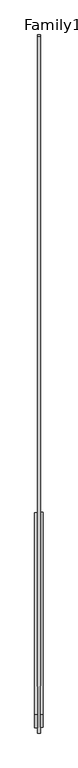
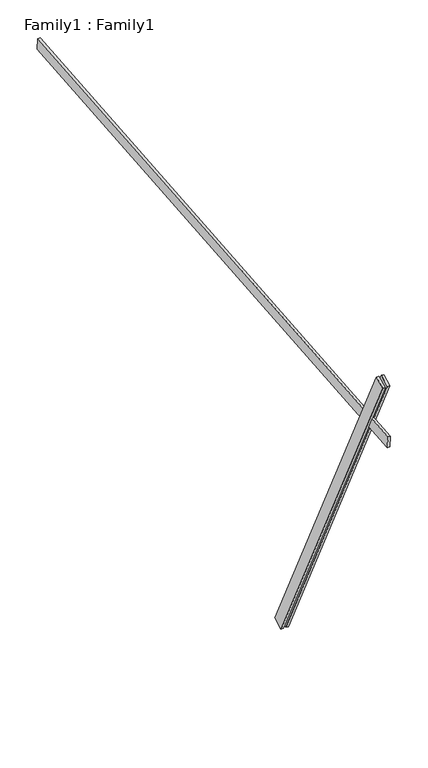
"""IFC4 building model written with IfcOpenShell, lengths in millimetres: proxy geometry, Family1 : Family1."""

from ifc_helpers import new_model, si_unit, frame, origin, place, context, project, spatial, polyline, outline, extrude, source, transform, mapped, element, save


def family1_family1_43348b4e(model_context):
    return source(origin(), model_context, "Body", "SweptSolid", [
        extrude(outline(polyline([(0.0, 0.0), (-100.0000001, 0.0), (-100.0000001, 20.0), (0.0, 20.0), (0.0, 0.0)])), frame((-30.0, -46.3241747, -22.5938096), z_axis=(0.0, -0.4383711467890692, 0.8987940462991711), x_axis=(0.0, -0.8987940462991711, -0.4383711467890692)), (0.0, 0.0, 1.0), 3300.0),
        extrude(outline(polyline([(0.0, 0.0), (-99.9999999, 0.0), (-99.9999999, 20.0), (0.0, 20.0), (0.0, 0.0)])), frame((10.0, -45.270232, -22.0797674), z_axis=(0.0, -0.4383711467890692, 0.8987940462991711), x_axis=(0.0, -0.8987940462991711, -0.4383711467890692)), (0.0, 0.0, 1.0), 3300.0),
        extrude(outline(polyline([(0.0, 20.0), (4999.9999999, 20.0), (4999.9999999, 0.0), (0.0, 0.0), (0.0, 20.0)])), frame((-10.0, 3457.3027233, 2876.2941486), z_axis=(0.0, -0.08715574274766064, 0.9961946980917454), x_axis=(0.0, -0.9961946980917454, -0.08715574274766064)), (0.0, 0.0, 1.0), 100.0),
    ])


if __name__ == "__main__":
    model = new_model("IFC4")
    model_context = context("Model", 3, world=origin())
    ifc_project = project(units=[si_unit("LENGTHUNIT", "METRE", prefix="MILLI")], contexts=[model_context])
    site = spatial("IfcSite", under=ifc_project)
    building = spatial("IfcBuilding", under=site)
    placement = place(None, origin())
    family1_family1_shape = family1_family1_43348b4e(model_context)
    element("IfcBuildingElementProxy", 1, Name="Family1 : Family1", ObjectType="Family1 : Family1", at=placement, inside=building, context=model_context, shape_type="MappedRepresentation", body=[
        mapped(family1_family1_shape, transform((0.0, 0.0, 0.0), x_axis=(1.0, 0.0, 0.0), y_axis=(0.0, 1.0, 0.0), z_axis=(0.0, 0.0, 1.0))),
    ])
    save(model, "model.ifc")
